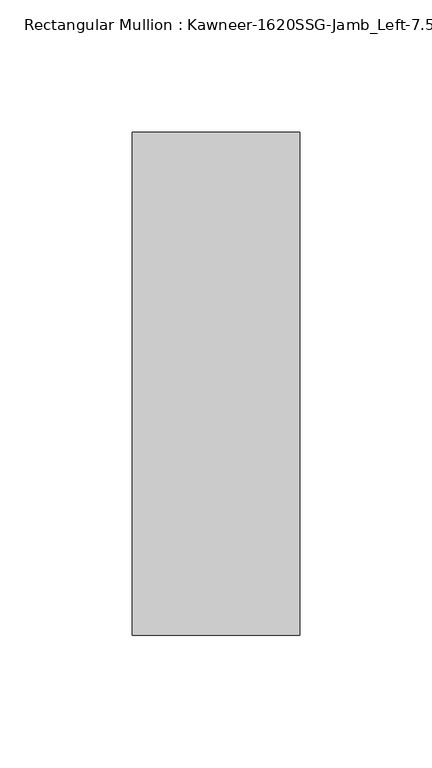
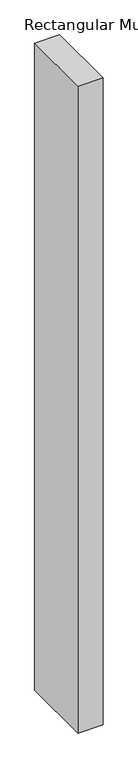
"""IFC4 building model written with IfcOpenShell, lengths in millimetres: member geometry."""

from ifc_helpers import new_model, si_unit, frame, origin, place, context, project, spatial, polyline, outline, extrude, source, transform, mapped, element, save


def member_97fe1997(model_context):
    return source(origin(), model_context, "Body", "SweptSolid", [
        extrude(outline(polyline([(22.225, 28.575), (22.225, -161.925), (-41.275, -161.925), (-41.275, 28.575), (22.225, 28.575)])), frame((0.0, 0.0, -1739.9), z_axis=(0.0, 0.0, 1.0), x_axis=(1.0, 0.0, 0.0)), (0.0, 0.0, 1.0), 1739.9),
    ])


if __name__ == "__main__":
    model = new_model("IFC4")
    model_context = context("Model", 3, world=origin())
    ifc_project = project(units=[si_unit("LENGTHUNIT", "METRE", prefix="MILLI")], contexts=[model_context])
    site = spatial("IfcSite", under=ifc_project)
    building = spatial("IfcBuilding", under=site)
    placement = place(None, origin())
    member_shape = member_97fe1997(model_context)
    element("IfcMember", 1, ObjectType="Rectangular Mullion : Kawneer-1620SSG-Jamb_Left-7.5\"-1/4\"Infill", at=placement, inside=building, context=model_context, shape_type="MappedRepresentation", body=[
        mapped(member_shape, transform((0.0, 0.0, 0.0), x_axis=(1.0, 0.0, 0.0), y_axis=(0.0, 1.0, 0.0), z_axis=(0.0, 0.0, 1.0))),
    ])
    save(model, "model.ifc")
